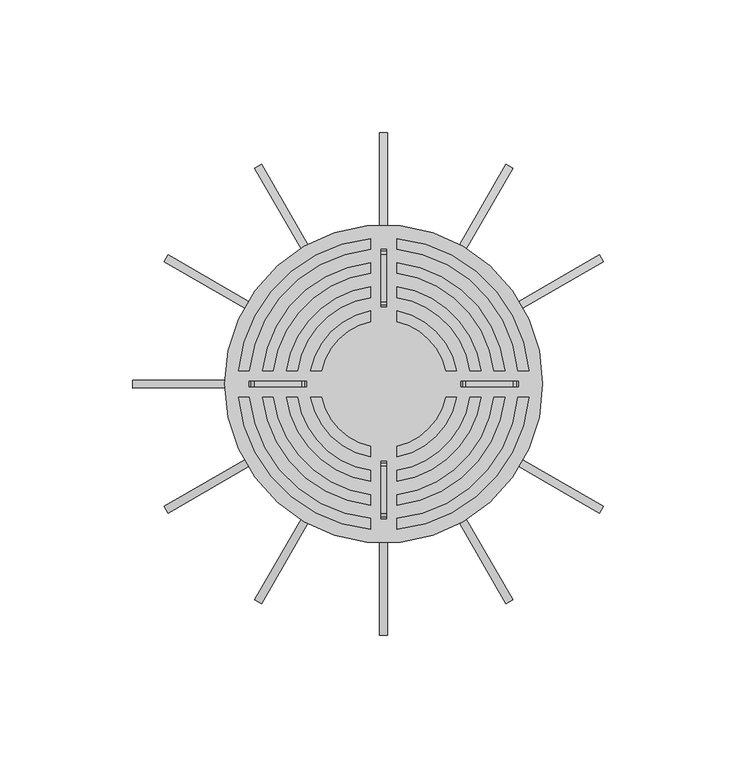
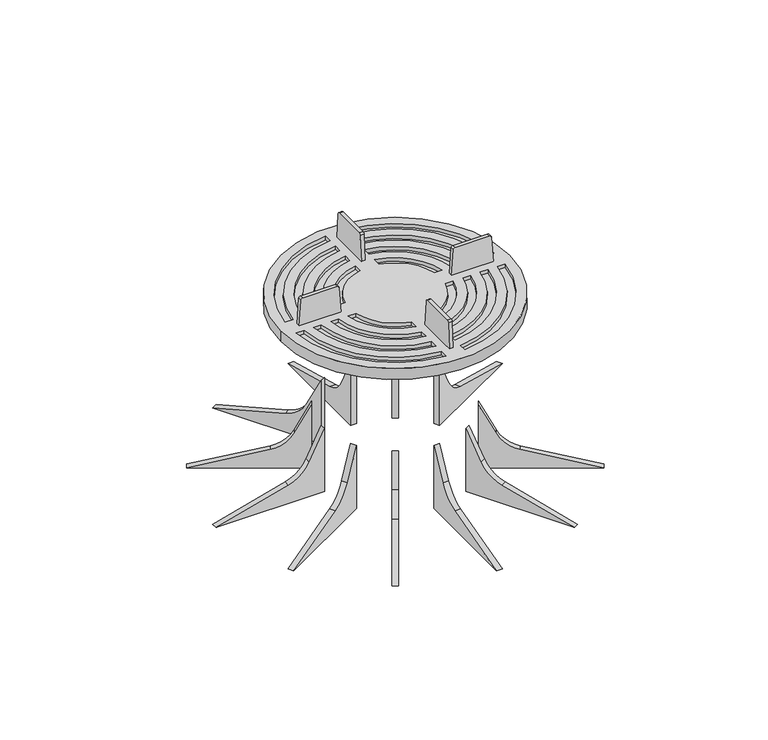
"""IFC4 building model written with IfcOpenShell, lengths in millimetres: proxy geometry."""

from ifc_helpers import new_model, si_unit, point, frame, frame_2d, origin, place, context, project, spatial, polyline, circle_curve, trimmed, segment, composite_curve, outline, extrude, source, transform, mapped, element, save
from ifc_brep_helpers import plane_surface, cylinder_surface, revolved_surface, advanced_brep


def generic_models_ea9ffc6b(model_context):
    return source(origin(), model_context, "Body", "SolidModel", [
        advanced_brep(
        [(-60.0, 0.0, 106.0), (60.0, 0.0, 106.0), (-50.7543102, 5.0, 106.0), (-54.7722558, 5.0, 106.0), (-5.0, 54.7722558, 106.0), (-5.0, 50.7543102, 106.0), (-41.7013189, 5.0, 106.0), (-45.7274535, 5.0, 106.0), (-5.0, 45.7274535, 106.0), (-5.0, 41.7013189, 106.0), (-32.6190129, 5.0, 106.0), (-36.6606056, 5.0, 106.0), (-5.0, 36.6606056, 106.0), (-5.0, 32.6190129, 106.0), (-23.4733892, 5.0, 106.0), (-27.5499546, 5.0, 106.0), (-5.0, 27.5499546, 106.0), (-5.0, 23.4733892, 106.0), (-5.0, -50.7543102, 106.0), (-5.0, -54.7722558, 106.0), (-54.7722558, -5.0, 106.0), (-50.7543102, -5.0, 106.0), (-5.0, -41.7013189, 106.0), (-5.0, -45.7274535, 106.0), (-45.7274535, -5.0, 106.0), (-41.7013189, -5.0, 106.0), (-5.0, -32.6190129, 106.0), (-5.0, -36.6606056, 106.0), (-36.6606056, -5.0, 106.0), (-32.6190129, -5.0, 106.0), (-5.0, -23.4733892, 106.0), (-5.0, -27.5499546, 106.0), (-27.5499546, -5.0, 106.0), (-23.4733892, -5.0, 106.0), (50.7543102, -5.0, 106.0), (54.7722558, -5.0, 106.0), (5.0, -54.7722558, 106.0), (5.0, -50.7543102, 106.0), (41.7013189, -5.0, 106.0), (45.7274535, -5.0, 106.0), (5.0, -45.7274535, 106.0), (5.0, -41.7013189, 106.0), (32.6190129, -5.0, 106.0), (36.6606056, -5.0, 106.0), (5.0, -36.6606056, 106.0), (5.0, -32.6190129, 106.0), (23.4733892, -5.0, 106.0), (27.5499546, -5.0, 106.0), (5.0, -27.5499546, 106.0), (5.0, -23.4733892, 106.0), (5.0, 50.7543102, 106.0), (5.0, 54.7722558, 106.0), (54.7722558, 5.0, 106.0), (50.7543102, 5.0, 106.0), (5.0, 41.7013189, 106.0), (5.0, 45.7274535, 106.0), (45.7274535, 5.0, 106.0), (41.7013189, 5.0, 106.0), (5.0, 32.6190129, 106.0), (5.0, 36.6606056, 106.0), (36.6606056, 5.0, 106.0), (32.6190129, 5.0, 106.0), (5.0, 23.4733892, 106.0), (5.0, 27.5499546, 106.0), (27.5499546, 5.0, 106.0), (23.4733892, 5.0, 106.0), (-60.0, 0.0, 100.0), (60.0, 0.0, 100.0), (-54.7722558, 5.0, 104.0), (-50.7543102, 5.0, 104.0), (-5.0, 50.7543102, 104.0), (-5.0, 54.7722558, 104.0), (-45.7274535, 5.0, 104.0), (-41.7013189, 5.0, 104.0), (-5.0, 41.7013189, 104.0), (-5.0, 45.7274535, 104.0), (-36.6606056, 5.0, 104.0), (-32.6190129, 5.0, 104.0), (-5.0, 32.6190129, 104.0), (-5.0, 36.6606056, 104.0), (-27.5499546, 5.0, 104.0), (-23.4733892, 5.0, 104.0), (-5.0, 23.4733892, 104.0), (-5.0, 27.5499546, 104.0), (-5.0, -54.7722558, 104.0), (-5.0, -50.7543102, 104.0), (-50.7543102, -5.0, 104.0), (-54.7722558, -5.0, 104.0), (-5.0, -45.7274535, 104.0), (-5.0, -41.7013189, 104.0), (-41.7013189, -5.0, 104.0), (-45.7274535, -5.0, 104.0), (-5.0, -36.6606056, 104.0), (-5.0, -32.6190129, 104.0), (-32.6190129, -5.0, 104.0), (-36.6606056, -5.0, 104.0), (-5.0, -27.5499546, 104.0), (-5.0, -23.4733892, 104.0), (-23.4733892, -5.0, 104.0), (-27.5499546, -5.0, 104.0), (54.7722558, -5.0, 104.0), (50.7543102, -5.0, 104.0), (5.0, -50.7543102, 104.0), (5.0, -54.7722558, 104.0), (45.7274535, -5.0, 104.0), (41.7013189, -5.0, 104.0), (5.0, -41.7013189, 104.0), (5.0, -45.7274535, 104.0), (36.6606056, -5.0, 104.0), (32.6190129, -5.0, 104.0), (5.0, -32.6190129, 104.0), (5.0, -36.6606056, 104.0), (27.5499546, -5.0, 104.0), (23.4733892, -5.0, 104.0), (5.0, -23.4733892, 104.0), (5.0, -27.5499546, 104.0), (5.0, 54.7722558, 104.0), (5.0, 50.7543102, 104.0), (50.7543102, 5.0, 104.0), (54.7722558, 5.0, 104.0), (5.0, 45.7274535, 104.0), (5.0, 41.7013189, 104.0), (41.7013189, 5.0, 104.0), (45.7274535, 5.0, 104.0), (5.0, 36.6606056, 104.0), (5.0, 32.6190129, 104.0), (32.6190129, 5.0, 104.0), (36.6606056, 5.0, 104.0), (5.0, 27.5499546, 104.0), (5.0, 23.4733892, 104.0), (23.4733892, 5.0, 104.0), (27.5499546, 5.0, 104.0)],
        [
            (0, 1, circle_curve(frame((0.0, 0.0, 106.0), z_axis=(0.0, 0.0, 1.0), x_axis=(1.0, 0.0, 0.0)), 60.0)),
            (1, 0, circle_curve(frame((0.0, 0.0, 106.0), z_axis=(0.0, 0.0, 1.0), x_axis=(1.0, 0.0, 0.0)), 60.0)),
            (2, 3),
            (3, 4, circle_curve(frame((0.0, 0.0, 106.0), z_axis=(0.0, 0.0, -1.0), x_axis=(1.0, 0.0, 0.0)), 55.0)),
            (4, 5),
            (5, 2, circle_curve(frame((0.0, 0.0, 106.0), z_axis=(0.0, 0.0, 1.0), x_axis=(1.0, 0.0, 0.0)), 51.0)),
            (6, 7),
            (7, 8, circle_curve(frame((0.0, 0.0, 106.0), z_axis=(0.0, 0.0, -1.0), x_axis=(1.0, 0.0, 0.0)), 46.0)),
            (8, 9),
            (9, 6, circle_curve(frame((0.0, 0.0, 106.0), z_axis=(0.0, 0.0, 1.0), x_axis=(1.0, 0.0, 0.0)), 42.0)),
            (10, 11),
            (11, 12, circle_curve(frame((0.0, 0.0, 106.0), z_axis=(0.0, 0.0, -1.0), x_axis=(1.0, 0.0, 0.0)), 37.0)),
            (12, 13),
            (13, 10, circle_curve(frame((0.0, 0.0, 106.0), z_axis=(0.0, 0.0, 1.0), x_axis=(1.0, 0.0, 0.0)), 33.0)),
            (14, 15),
            (15, 16, circle_curve(frame((0.0, 0.0, 106.0), z_axis=(0.0, 0.0, -1.0), x_axis=(1.0, 0.0, 0.0)), 28.0)),
            (16, 17),
            (17, 14, circle_curve(frame((0.0, 0.0, 106.0), z_axis=(0.0, 0.0, 1.0), x_axis=(1.0, 0.0, 0.0)), 24.0)),
            (18, 19),
            (19, 20, circle_curve(frame((0.0, 0.0, 106.0), z_axis=(0.0, 0.0, -1.0), x_axis=(1.2237433288930786e-12, 1.0, 0.0)), 55.0)),
            (20, 21),
            (21, 18, circle_curve(frame((0.0, 0.0, 106.0), z_axis=(0.0, 0.0, 1.0), x_axis=(1.2237433288930786e-12, 1.0, 0.0)), 51.0)),
            (22, 23),
            (23, 24, circle_curve(frame((0.0, 0.0, 106.0), z_axis=(0.0, 0.0, -1.0), x_axis=(1.2237433288930786e-12, 1.0, 0.0)), 46.0)),
            (24, 25),
            (25, 22, circle_curve(frame((0.0, 0.0, 106.0), z_axis=(0.0, 0.0, 1.0), x_axis=(1.2237433288930786e-12, 1.0, 0.0)), 42.0)),
            (26, 27),
            (27, 28, circle_curve(frame((0.0, 0.0, 106.0), z_axis=(0.0, 0.0, -1.0), x_axis=(1.2237433288930786e-12, 1.0, 0.0)), 37.0)),
            (28, 29),
            (29, 26, circle_curve(frame((0.0, 0.0, 106.0), z_axis=(0.0, 0.0, 1.0), x_axis=(1.2237433288930786e-12, 1.0, 0.0)), 33.0)),
            (30, 31),
            (31, 32, circle_curve(frame((0.0, 0.0, 106.0), z_axis=(0.0, 0.0, -1.0), x_axis=(1.2237433288930786e-12, 1.0, 0.0)), 28.0)),
            (32, 33),
            (33, 30, circle_curve(frame((0.0, 0.0, 106.0), z_axis=(0.0, 0.0, 1.0), x_axis=(1.2237433288930786e-12, 1.0, 0.0)), 24.0)),
            (34, 35),
            (35, 36, circle_curve(frame((0.0, 0.0, 106.0), z_axis=(0.0, 0.0, -1.0), x_axis=(-1.0, 0.0, 0.0)), 55.0)),
            (36, 37),
            (37, 34, circle_curve(frame((0.0, 0.0, 106.0), z_axis=(0.0, 0.0, 1.0), x_axis=(-1.0, 0.0, 0.0)), 51.0)),
            (38, 39),
            (39, 40, circle_curve(frame((0.0, 0.0, 106.0), z_axis=(0.0, 0.0, -1.0), x_axis=(-1.0, 0.0, 0.0)), 46.0)),
            (40, 41),
            (41, 38, circle_curve(frame((0.0, 0.0, 106.0), z_axis=(0.0, 0.0, 1.0), x_axis=(-1.0, 0.0, 0.0)), 42.0)),
            (42, 43),
            (43, 44, circle_curve(frame((0.0, 0.0, 106.0), z_axis=(0.0, 0.0, -1.0), x_axis=(-1.0, 0.0, 0.0)), 37.0)),
            (44, 45),
            (45, 42, circle_curve(frame((0.0, 0.0, 106.0), z_axis=(0.0, 0.0, 1.0), x_axis=(-1.0, 0.0, 0.0)), 33.0)),
            (46, 47),
            (47, 48, circle_curve(frame((0.0, 0.0, 106.0), z_axis=(0.0, 0.0, -1.0), x_axis=(-1.0, 0.0, 0.0)), 28.0)),
            (48, 49),
            (49, 46, circle_curve(frame((0.0, 0.0, 106.0), z_axis=(0.0, 0.0, 1.0), x_axis=(-1.0, 0.0, 0.0)), 24.0)),
            (50, 51),
            (51, 52, circle_curve(frame((0.0, 0.0, 106.0), z_axis=(0.0, 0.0, -1.0), x_axis=(0.0, -1.0, 0.0)), 55.0)),
            (52, 53),
            (53, 50, circle_curve(frame((0.0, 0.0, 106.0), z_axis=(0.0, 0.0, 1.0), x_axis=(0.0, -1.0, 0.0)), 51.0)),
            (54, 55),
            (55, 56, circle_curve(frame((0.0, 0.0, 106.0), z_axis=(0.0, 0.0, -1.0), x_axis=(0.0, -1.0, 0.0)), 46.0)),
            (56, 57),
            (57, 54, circle_curve(frame((0.0, 0.0, 106.0), z_axis=(0.0, 0.0, 1.0), x_axis=(0.0, -1.0, 0.0)), 42.0)),
            (58, 59),
            (59, 60, circle_curve(frame((0.0, 0.0, 106.0), z_axis=(0.0, 0.0, -1.0), x_axis=(0.0, -1.0, 0.0)), 37.0)),
            (60, 61),
            (61, 58, circle_curve(frame((0.0, 0.0, 106.0), z_axis=(0.0, 0.0, 1.0), x_axis=(0.0, -1.0, 0.0)), 33.0)),
            (62, 63),
            (63, 64, circle_curve(frame((0.0, 0.0, 106.0), z_axis=(0.0, 0.0, -1.0), x_axis=(0.0, -1.0, 0.0)), 28.0)),
            (64, 65),
            (65, 62, circle_curve(frame((0.0, 0.0, 106.0), z_axis=(0.0, 0.0, 1.0), x_axis=(0.0, -1.0, 0.0)), 24.0)),
            (66, 67, circle_curve(frame((0.0, 0.0, 100.0), z_axis=(0.0, 0.0, -1.0), x_axis=(1.0, 0.0, 0.0)), 60.0)),
            (67, 66, circle_curve(frame((0.0, 0.0, 100.0), z_axis=(0.0, 0.0, -1.0), x_axis=(1.0, 0.0, 0.0)), 60.0)),
            (0, 66),
            (67, 1),
            (68, 69),
            (69, 70, circle_curve(frame((0.0, 0.0, 104.0), z_axis=(0.0, 0.0, -1.0), x_axis=(1.0, 0.0, 0.0)), 51.0)),
            (70, 71),
            (71, 68, circle_curve(frame((0.0, 0.0, 104.0), z_axis=(0.0, 0.0, 1.0), x_axis=(1.0, 0.0, 0.0)), 55.0)),
            (72, 73),
            (73, 74, circle_curve(frame((0.0, 0.0, 104.0), z_axis=(0.0, 0.0, -1.0), x_axis=(1.0, 0.0, 0.0)), 42.0)),
            (74, 75),
            (75, 72, circle_curve(frame((0.0, 0.0, 104.0), z_axis=(0.0, 0.0, 1.0), x_axis=(1.0, 0.0, 0.0)), 46.0)),
            (76, 77),
            (77, 78, circle_curve(frame((0.0, 0.0, 104.0), z_axis=(0.0, 0.0, -1.0), x_axis=(1.0, 0.0, 0.0)), 33.0)),
            (78, 79),
            (79, 76, circle_curve(frame((0.0, 0.0, 104.0), z_axis=(0.0, 0.0, 1.0), x_axis=(1.0, 0.0, 0.0)), 37.0)),
            (80, 81),
            (81, 82, circle_curve(frame((0.0, 0.0, 104.0), z_axis=(0.0, 0.0, -1.0), x_axis=(1.0, 0.0, 0.0)), 24.0)),
            (82, 83),
            (83, 80, circle_curve(frame((0.0, 0.0, 104.0), z_axis=(0.0, 0.0, 1.0), x_axis=(1.0, 0.0, 0.0)), 28.0)),
            (68, 3),
            (2, 69),
            (5, 70),
            (4, 71),
            (72, 7),
            (6, 73),
            (9, 74),
            (8, 75),
            (76, 11),
            (10, 77),
            (13, 78),
            (12, 79),
            (80, 15),
            (14, 81),
            (17, 82),
            (16, 83),
            (84, 85),
            (85, 86, circle_curve(frame((0.0, 0.0, 104.0), z_axis=(0.0, 0.0, -1.0), x_axis=(1.2237433288930786e-12, 1.0, 0.0)), 51.0)),
            (86, 87),
            (87, 84, circle_curve(frame((0.0, 0.0, 104.0), z_axis=(0.0, 0.0, 1.0), x_axis=(1.2237433288930786e-12, 1.0, 0.0)), 55.0)),
            (88, 89),
            (89, 90, circle_curve(frame((0.0, 0.0, 104.0), z_axis=(0.0, 0.0, -1.0), x_axis=(1.2237433288930786e-12, 1.0, 0.0)), 42.0)),
            (90, 91),
            (91, 88, circle_curve(frame((0.0, 0.0, 104.0), z_axis=(0.0, 0.0, 1.0), x_axis=(1.2237433288930786e-12, 1.0, 0.0)), 46.0)),
            (92, 93),
            (93, 94, circle_curve(frame((0.0, 0.0, 104.0), z_axis=(0.0, 0.0, -1.0), x_axis=(1.2237433288930786e-12, 1.0, 0.0)), 33.0)),
            (94, 95),
            (95, 92, circle_curve(frame((0.0, 0.0, 104.0), z_axis=(0.0, 0.0, 1.0), x_axis=(1.2237433288930786e-12, 1.0, 0.0)), 37.0)),
            (96, 97),
            (97, 98, circle_curve(frame((0.0, 0.0, 104.0), z_axis=(0.0, 0.0, -1.0), x_axis=(1.2237433288930786e-12, 1.0, 0.0)), 24.0)),
            (98, 99),
            (99, 96, circle_curve(frame((0.0, 0.0, 104.0), z_axis=(0.0, 0.0, 1.0), x_axis=(1.2237433288930786e-12, 1.0, 0.0)), 28.0)),
            (84, 19),
            (18, 85),
            (21, 86),
            (20, 87),
            (88, 23),
            (22, 89),
            (25, 90),
            (24, 91),
            (92, 27),
            (26, 93),
            (29, 94),
            (28, 95),
            (96, 31),
            (30, 97),
            (33, 98),
            (32, 99),
            (100, 101),
            (101, 102, circle_curve(frame((0.0, 0.0, 104.0), z_axis=(0.0, 0.0, -1.0), x_axis=(-1.0, 0.0, 0.0)), 51.0)),
            (102, 103),
            (103, 100, circle_curve(frame((0.0, 0.0, 104.0), z_axis=(0.0, 0.0, 1.0), x_axis=(-1.0, 0.0, 0.0)), 55.0)),
            (104, 105),
            (105, 106, circle_curve(frame((0.0, 0.0, 104.0), z_axis=(0.0, 0.0, -1.0), x_axis=(-1.0, 0.0, 0.0)), 42.0)),
            (106, 107),
            (107, 104, circle_curve(frame((0.0, 0.0, 104.0), z_axis=(0.0, 0.0, 1.0), x_axis=(-1.0, 0.0, 0.0)), 46.0)),
            (108, 109),
            (109, 110, circle_curve(frame((0.0, 0.0, 104.0), z_axis=(0.0, 0.0, -1.0), x_axis=(-1.0, 0.0, 0.0)), 33.0)),
            (110, 111),
            (111, 108, circle_curve(frame((0.0, 0.0, 104.0), z_axis=(0.0, 0.0, 1.0), x_axis=(-1.0, 0.0, 0.0)), 37.0)),
            (112, 113),
            (113, 114, circle_curve(frame((0.0, 0.0, 104.0), z_axis=(0.0, 0.0, -1.0), x_axis=(-1.0, 0.0, 0.0)), 24.0)),
            (114, 115),
            (115, 112, circle_curve(frame((0.0, 0.0, 104.0), z_axis=(0.0, 0.0, 1.0), x_axis=(-1.0, 0.0, 0.0)), 28.0)),
            (100, 35),
            (34, 101),
            (37, 102),
            (36, 103),
            (104, 39),
            (38, 105),
            (41, 106),
            (40, 107),
            (108, 43),
            (42, 109),
            (45, 110),
            (44, 111),
            (112, 47),
            (46, 113),
            (49, 114),
            (48, 115),
            (116, 117),
            (117, 118, circle_curve(frame((0.0, 0.0, 104.0), z_axis=(0.0, 0.0, -1.0), x_axis=(0.0, -1.0, 0.0)), 51.0)),
            (118, 119),
            (119, 116, circle_curve(frame((0.0, 0.0, 104.0), z_axis=(0.0, 0.0, 1.0), x_axis=(0.0, -1.0, 0.0)), 55.0)),
            (120, 121),
            (121, 122, circle_curve(frame((0.0, 0.0, 104.0), z_axis=(0.0, 0.0, -1.0), x_axis=(0.0, -1.0, 0.0)), 42.0)),
            (122, 123),
            (123, 120, circle_curve(frame((0.0, 0.0, 104.0), z_axis=(0.0, 0.0, 1.0), x_axis=(0.0, -1.0, 0.0)), 46.0)),
            (124, 125),
            (125, 126, circle_curve(frame((0.0, 0.0, 104.0), z_axis=(0.0, 0.0, -1.0), x_axis=(0.0, -1.0, 0.0)), 33.0)),
            (126, 127),
            (127, 124, circle_curve(frame((0.0, 0.0, 104.0), z_axis=(0.0, 0.0, 1.0), x_axis=(0.0, -1.0, 0.0)), 37.0)),
            (128, 129),
            (129, 130, circle_curve(frame((0.0, 0.0, 104.0), z_axis=(0.0, 0.0, -1.0), x_axis=(0.0, -1.0, 0.0)), 24.0)),
            (130, 131),
            (131, 128, circle_curve(frame((0.0, 0.0, 104.0), z_axis=(0.0, 0.0, 1.0), x_axis=(0.0, -1.0, 0.0)), 28.0)),
            (116, 51),
            (50, 117),
            (53, 118),
            (52, 119),
            (120, 55),
            (54, 121),
            (57, 122),
            (56, 123),
            (124, 59),
            (58, 125),
            (61, 126),
            (60, 127),
            (128, 63),
            (62, 129),
            (65, 130),
            (64, 131),
        ],
        [
            plane_surface(frame((60.0, 0.0, 106.0), z_axis=(0.0, 0.0, 1.0), x_axis=(0.0, 1.0, 0.0))),
            plane_surface(frame((60.0, 0.0, 100.0), z_axis=(0.0, 0.0, -1.0), x_axis=(0.0, -1.0, 0.0))),
            cylinder_surface(frame((0.0, 0.0, 100.0), z_axis=(0.0, 0.0, 1.0), x_axis=(1.0, 0.0, 0.0)), 60.0),
            plane_surface(frame((-54.7722558, 5.0, 104.0), z_axis=(0.0, 0.0, 1.0), x_axis=(-1.0, 0.0, 0.0))),
            plane_surface(frame((-54.7722558, 5.0, 106.0), z_axis=(0.0, 1.0, 0.0), x_axis=(0.0, 0.0, -1.0))),
            cylinder_surface(frame((0.0, 0.0, 104.0), z_axis=(0.0, 0.0, -1.0), x_axis=(1.0, 0.0, 0.0)), 51.0),
            plane_surface(frame((-5.0, 50.7543102, 106.0), z_axis=(-1.0, 0.0, 0.0), x_axis=(0.0, 0.0, -1.0))),
            revolved_surface(polyline([(55.0, 0.0, 106.0), (55.0, 0.0, 104.0)]), (0.0, 0.0, 104.0), (0.0, 0.0, 1.0)),
            plane_surface(frame((-45.7274535, 5.0, 106.0), z_axis=(0.0, 1.0, 0.0), x_axis=(0.0, 0.0, -1.0))),
            cylinder_surface(frame((0.0, 0.0, 104.0), z_axis=(0.0, 0.0, -1.0), x_axis=(1.0, 0.0, 0.0)), 42.0),
            plane_surface(frame((-5.0, 41.7013189, 106.0), z_axis=(-1.0, 0.0, 0.0), x_axis=(0.0, 0.0, -1.0))),
            revolved_surface(polyline([(46.0, 0.0, 106.0), (46.0, 0.0, 104.0)]), (0.0, 0.0, 104.0), (0.0, 0.0, 1.0)),
            plane_surface(frame((-36.6606056, 5.0, 106.0), z_axis=(0.0, 1.0, 0.0), x_axis=(0.0, 0.0, -1.0))),
            cylinder_surface(frame((0.0, 0.0, 104.0), z_axis=(0.0, 0.0, -1.0), x_axis=(1.0, 0.0, 0.0)), 33.0),
            plane_surface(frame((-5.0, 32.6190129, 106.0), z_axis=(-1.0, 0.0, 0.0), x_axis=(0.0, 0.0, -1.0))),
            revolved_surface(polyline([(37.0, 0.0, 106.0), (37.0, 0.0, 104.0)]), (0.0, 0.0, 104.0), (0.0, 0.0, 1.0)),
            plane_surface(frame((-27.5499546, 5.0, 106.0), z_axis=(0.0, 1.0, 0.0), x_axis=(0.0, 0.0, -1.0))),
            cylinder_surface(frame((0.0, 0.0, 104.0), z_axis=(0.0, 0.0, -1.0), x_axis=(1.0, 0.0, 0.0)), 24.0),
            plane_surface(frame((-5.0, 23.4733892, 106.0), z_axis=(-1.0, 0.0, 0.0), x_axis=(0.0, 0.0, -1.0))),
            revolved_surface(polyline([(28.0, 0.0, 106.0), (28.0, 0.0, 104.0)]), (0.0, 0.0, 104.0), (0.0, 0.0, 1.0)),
            plane_surface(frame((-5.0, -54.7722558, 104.0), z_axis=(0.0, 0.0, 1.0), x_axis=(-1.2267336146917393e-12, -1.0, 0.0))),
            plane_surface(frame((-5.0, -54.7722558, 106.0), z_axis=(-1.0, 1.2267336146917393e-12, 0.0), x_axis=(0.0, 0.0, -1.0))),
            cylinder_surface(frame((0.0, 0.0, 104.0), z_axis=(0.0, 0.0, -1.0), x_axis=(1.2237433288930786e-12, 1.0, 0.0)), 51.0),
            plane_surface(frame((-50.7543102, -5.0, 106.0), z_axis=(-1.3062173202563936e-12, -1.0, 0.0), x_axis=(0.0, 0.0, -1.0))),
            revolved_surface(polyline([(6.730588308911932e-11, 55.0, 106.0), (6.730588308911932e-11, 55.0, 104.0)]), (0.0, 0.0, 104.0), (0.0, 0.0, 1.0)),
            plane_surface(frame((-5.0, -45.7274535, 106.0), z_axis=(-1.0, 1.2266024042503135e-12, 0.0), x_axis=(0.0, 0.0, -1.0))),
            cylinder_surface(frame((0.0, 0.0, 104.0), z_axis=(0.0, 0.0, -1.0), x_axis=(1.2237433288930786e-12, 1.0, 0.0)), 42.0),
            plane_surface(frame((-41.7013189, -5.0, 106.0), z_axis=(-1.2906904099541734e-12, -1.0, 0.0), x_axis=(0.0, 0.0, -1.0))),
            revolved_surface(polyline([(5.629219312908162e-11, 46.0, 106.0), (5.629219312908162e-11, 46.0, 104.0)]), (0.0, 0.0, 104.0), (0.0, 0.0, 1.0)),
            plane_surface(frame((-5.0, -36.6606056, 106.0), z_axis=(-1.0, 1.228975513630948e-12, 0.0), x_axis=(0.0, 0.0, -1.0))),
            cylinder_surface(frame((0.0, 0.0, 104.0), z_axis=(0.0, 0.0, -1.0), x_axis=(1.2237433288930786e-12, 1.0, 0.0)), 33.0),
            plane_surface(frame((-32.6190129, -5.0, 106.0), z_axis=(-1.2779042811525442e-12, -1.0, 0.0), x_axis=(0.0, 0.0, -1.0))),
            revolved_surface(polyline([(4.527850316904391e-11, 37.0, 106.0), (4.527850316904391e-11, 37.0, 104.0)]), (0.0, 0.0, 104.0), (0.0, 0.0, 1.0)),
            plane_surface(frame((-5.0, -27.5499546, 106.0), z_axis=(-1.0, 1.225695548290163e-12, 0.0), x_axis=(0.0, 0.0, -1.0))),
            cylinder_surface(frame((0.0, 0.0, 104.0), z_axis=(0.0, 0.0, -1.0), x_axis=(1.2237433288930786e-12, 1.0, 0.0)), 24.0),
            plane_surface(frame((-23.4733892, -5.0, 106.0), z_axis=(-1.2612342340289388e-12, -1.0, 0.0), x_axis=(0.0, 0.0, -1.0))),
            revolved_surface(polyline([(3.42648132090062e-11, 28.0, 106.0), (3.42648132090062e-11, 28.0, 104.0)]), (0.0, 0.0, 104.0), (0.0, 0.0, 1.0)),
            plane_surface(frame((54.7722558, -5.0, 104.0), z_axis=(0.0, 0.0, 1.0), x_axis=(1.0, 0.0, 0.0))),
            plane_surface(frame((54.7722558, -5.0, 106.0), z_axis=(0.0, -1.0, 0.0), x_axis=(0.0, 0.0, -1.0))),
            cylinder_surface(frame((0.0, 0.0, 104.0), z_axis=(0.0, 0.0, -1.0), x_axis=(-1.0, 0.0, 0.0)), 51.0),
            plane_surface(frame((5.0, -50.7543102, 106.0), z_axis=(1.0, 0.0, 0.0), x_axis=(0.0, 0.0, -1.0))),
            revolved_surface(polyline([(-55.0, 0.0, 106.0), (-55.0, 0.0, 104.0)]), (0.0, 0.0, 104.0), (0.0, 0.0, 1.0)),
            plane_surface(frame((45.7274535, -5.0, 106.0), z_axis=(0.0, -1.0, 0.0), x_axis=(0.0, 0.0, -1.0))),
            cylinder_surface(frame((0.0, 0.0, 104.0), z_axis=(0.0, 0.0, -1.0), x_axis=(-1.0, 0.0, 0.0)), 42.0),
            plane_surface(frame((5.0, -41.7013189, 106.0), z_axis=(1.0, 0.0, 0.0), x_axis=(0.0, 0.0, -1.0))),
            revolved_surface(polyline([(-46.0, 0.0, 106.0), (-46.0, 0.0, 104.0)]), (0.0, 0.0, 104.0), (0.0, 0.0, 1.0)),
            plane_surface(frame((36.6606056, -5.0, 106.0), z_axis=(0.0, -1.0, 0.0), x_axis=(0.0, 0.0, -1.0))),
            cylinder_surface(frame((0.0, 0.0, 104.0), z_axis=(0.0, 0.0, -1.0), x_axis=(-1.0, 0.0, 0.0)), 33.0),
            plane_surface(frame((5.0, -32.6190129, 106.0), z_axis=(1.0, 0.0, 0.0), x_axis=(0.0, 0.0, -1.0))),
            revolved_surface(polyline([(-37.0, 0.0, 106.0), (-37.0, 0.0, 104.0)]), (0.0, 0.0, 104.0), (0.0, 0.0, 1.0)),
            plane_surface(frame((27.5499546, -5.0, 106.0), z_axis=(0.0, -1.0, 0.0), x_axis=(0.0, 0.0, -1.0))),
            cylinder_surface(frame((0.0, 0.0, 104.0), z_axis=(0.0, 0.0, -1.0), x_axis=(-1.0, 0.0, 0.0)), 24.0),
            plane_surface(frame((5.0, -23.4733892, 106.0), z_axis=(1.0, 0.0, 0.0), x_axis=(0.0, 0.0, -1.0))),
            revolved_surface(polyline([(-28.0, 0.0, 106.0), (-28.0, 0.0, 104.0)]), (0.0, 0.0, 104.0), (0.0, 0.0, 1.0)),
            plane_surface(frame((5.0, 54.7722558, 104.0), z_axis=(0.0, 0.0, 1.0), x_axis=(0.0, 1.0, 0.0))),
            plane_surface(frame((5.0, 54.7722558, 106.0), z_axis=(1.0, 0.0, 0.0), x_axis=(0.0, 0.0, -1.0))),
            cylinder_surface(frame((0.0, 0.0, 104.0), z_axis=(0.0, 0.0, -1.0), x_axis=(0.0, -1.0, 0.0)), 51.0),
            plane_surface(frame((50.7543102, 5.0, 106.0), z_axis=(0.0, 1.0, 0.0), x_axis=(0.0, 0.0, -1.0))),
            revolved_surface(polyline([(0.0, -55.0, 106.0), (0.0, -55.0, 104.0)]), (0.0, 0.0, 104.0), (0.0, 0.0, 1.0)),
            plane_surface(frame((5.0, 45.7274535, 106.0), z_axis=(1.0, 0.0, 0.0), x_axis=(0.0, 0.0, -1.0))),
            cylinder_surface(frame((0.0, 0.0, 104.0), z_axis=(0.0, 0.0, -1.0), x_axis=(0.0, -1.0, 0.0)), 42.0),
            plane_surface(frame((41.7013189, 5.0, 106.0), z_axis=(0.0, 1.0, 0.0), x_axis=(0.0, 0.0, -1.0))),
            revolved_surface(polyline([(0.0, -46.0, 106.0), (0.0, -46.0, 104.0)]), (0.0, 0.0, 104.0), (0.0, 0.0, 1.0)),
            plane_surface(frame((5.0, 36.6606056, 106.0), z_axis=(1.0, 0.0, 0.0), x_axis=(0.0, 0.0, -1.0))),
            cylinder_surface(frame((0.0, 0.0, 104.0), z_axis=(0.0, 0.0, -1.0), x_axis=(0.0, -1.0, 0.0)), 33.0),
            plane_surface(frame((32.6190129, 5.0, 106.0), z_axis=(0.0, 1.0, 0.0), x_axis=(0.0, 0.0, -1.0))),
            revolved_surface(polyline([(0.0, -37.0, 106.0), (0.0, -37.0, 104.0)]), (0.0, 0.0, 104.0), (0.0, 0.0, 1.0)),
            plane_surface(frame((5.0, 27.5499546, 106.0), z_axis=(1.0, 0.0, 0.0), x_axis=(0.0, 0.0, -1.0))),
            cylinder_surface(frame((0.0, 0.0, 104.0), z_axis=(0.0, 0.0, -1.0), x_axis=(0.0, -1.0, 0.0)), 24.0),
            plane_surface(frame((23.4733892, 5.0, 106.0), z_axis=(0.0, 1.0, 0.0), x_axis=(0.0, 0.0, -1.0))),
            revolved_surface(polyline([(0.0, -28.0, 106.0), (0.0, -28.0, 104.0)]), (0.0, 0.0, 104.0), (0.0, 0.0, 1.0)),
        ],
        [
            (0, [[1, 2], [3, 4, 5, 6], [7, 8, 9, 10], [11, 12, 13, 14], [15, 16, 17, 18], [19, 20, 21, 22], [23, 24, 25, 26], [27, 28, 29, 30], [31, 32, 33, 34], [35, 36, 37, 38], [39, 40, 41, 42], [43, 44, 45, 46], [47, 48, 49, 50], [51, 52, 53, 54], [55, 56, 57, 58], [59, 60, 61, 62], [63, 64, 65, 66]]),
            (1, [[67, 68]]),
            (2, [[-1, 69, -68, 70]]),
            (2, [[-2, -70, -67, -69]]),
            (3, [[71, 72, 73, 74]]),
            (3, [[75, 76, 77, 78]]),
            (3, [[79, 80, 81, 82]]),
            (3, [[83, 84, 85, 86]]),
            (4, [[-71, 87, -3, 88]]),
            (5, [[-72, -88, -6, 89]]),
            (6, [[-73, -89, -5, 90]]),
            (7, [[-74, -90, -4, -87]]),
            (8, [[-75, 91, -7, 92]]),
            (9, [[-76, -92, -10, 93]]),
            (10, [[-77, -93, -9, 94]]),
            (11, [[-78, -94, -8, -91]]),
            (12, [[-79, 95, -11, 96]]),
            (13, [[-80, -96, -14, 97]]),
            (14, [[-81, -97, -13, 98]]),
            (15, [[-82, -98, -12, -95]]),
            (16, [[-83, 99, -15, 100]]),
            (17, [[-84, -100, -18, 101]]),
            (18, [[-85, -101, -17, 102]]),
            (19, [[-86, -102, -16, -99]]),
            (20, [[103, 104, 105, 106]]),
            (20, [[107, 108, 109, 110]]),
            (20, [[111, 112, 113, 114]]),
            (20, [[115, 116, 117, 118]]),
            (21, [[-103, 119, -19, 120]]),
            (22, [[-104, -120, -22, 121]]),
            (23, [[-105, -121, -21, 122]]),
            (24, [[-106, -122, -20, -119]]),
            (25, [[-107, 123, -23, 124]]),
            (26, [[-108, -124, -26, 125]]),
            (27, [[-109, -125, -25, 126]]),
            (28, [[-110, -126, -24, -123]]),
            (29, [[-111, 127, -27, 128]]),
            (30, [[-112, -128, -30, 129]]),
            (31, [[-113, -129, -29, 130]]),
            (32, [[-114, -130, -28, -127]]),
            (33, [[-115, 131, -31, 132]]),
            (34, [[-116, -132, -34, 133]]),
            (35, [[-117, -133, -33, 134]]),
            (36, [[-118, -134, -32, -131]]),
            (37, [[135, 136, 137, 138]]),
            (37, [[139, 140, 141, 142]]),
            (37, [[143, 144, 145, 146]]),
            (37, [[147, 148, 149, 150]]),
            (38, [[-135, 151, -35, 152]]),
            (39, [[-136, -152, -38, 153]]),
            (40, [[-137, -153, -37, 154]]),
            (41, [[-138, -154, -36, -151]]),
            (42, [[-139, 155, -39, 156]]),
            (43, [[-140, -156, -42, 157]]),
            (44, [[-141, -157, -41, 158]]),
            (45, [[-142, -158, -40, -155]]),
            (46, [[-143, 159, -43, 160]]),
            (47, [[-144, -160, -46, 161]]),
            (48, [[-145, -161, -45, 162]]),
            (49, [[-146, -162, -44, -159]]),
            (50, [[-147, 163, -47, 164]]),
            (51, [[-148, -164, -50, 165]]),
            (52, [[-149, -165, -49, 166]]),
            (53, [[-150, -166, -48, -163]]),
            (54, [[167, 168, 169, 170]]),
            (54, [[171, 172, 173, 174]]),
            (54, [[175, 176, 177, 178]]),
            (54, [[179, 180, 181, 182]]),
            (55, [[-167, 183, -51, 184]]),
            (56, [[-168, -184, -54, 185]]),
            (57, [[-169, -185, -53, 186]]),
            (58, [[-170, -186, -52, -183]]),
            (59, [[-171, 187, -55, 188]]),
            (60, [[-172, -188, -58, 189]]),
            (61, [[-173, -189, -57, 190]]),
            (62, [[-174, -190, -56, -187]]),
            (63, [[-175, 191, -59, 192]]),
            (64, [[-176, -192, -62, 193]]),
            (65, [[-177, -193, -61, 194]]),
            (66, [[-178, -194, -60, -191]]),
            (67, [[-179, 195, -63, 196]]),
            (68, [[-180, -196, -66, 197]]),
            (69, [[-181, -197, -65, 198]]),
            (70, [[-182, -198, -64, -195]]),
        ],
    ),
        extrude(outline(composite_curve([segment(polyline([(-35.0, 0.0), (0.0, 0.0), (0.0, -56.9756523), (-10.1606645, -19.0555364)]), True, "CONTINUOUS"), segment(trimmed(circle_curve(frame_2d((-26.9196657, -23.5460972)), 17.3501948), [point((-10.1606645, -19.0555364))], [point((-19.0764802, -8.0698671))], True, "CARTESIAN"), True, "CONTINUOUS"), segment(polyline([(-19.0764802, -8.0698671), (-35.0, 0.0)]), True, "CONTINUOUS")], self_intersect=False)), frame((32.0723628, -20.2490381, 10.0), z_axis=(0.5000000000000167, 0.866025403784429, 0.0), x_axis=(0.0, 0.0, -1.0)), (0.0, 0.0, 1.0), 3.0),
        extrude(outline(composite_curve([segment(polyline([(-35.0, 0.0), (0.0, 0.0), (0.0, -56.9756523), (-10.1606645, -19.0555364)]), True, "CONTINUOUS"), segment(trimmed(circle_curve(frame_2d((-26.9196657, -23.5460972)), 17.3501948), [point((-10.1606645, -19.0555364))], [point((-19.0764802, -8.0698671))], True, "CARTESIAN"), True, "CONTINUOUS"), segment(polyline([(-19.0764802, -8.0698671), (-35.0, 0.0)]), True, "CONTINUOUS")], self_intersect=False)), frame((17.6509619, -33.5723628, 10.0), z_axis=(0.8660254037844479, 0.499999999999984, 0.0), x_axis=(0.0, 0.0, -1.0)), (0.0, 0.0, 1.0), 3.0),
        extrude(outline(composite_curve([segment(polyline([(-37.9, 45.0), (-37.9, 10.0), (-94.8756523, 10.0), (-56.9555363, 20.1606645)]), True, "CONTINUOUS"), segment(trimmed(circle_curve(frame_2d((-61.4460972, 36.9196657)), 17.3501948), [point((-56.9555363, 20.1606645))], [point((-45.969867, 29.0764802))], True, "CARTESIAN"), True, "CONTINUOUS"), segment(polyline([(-45.969867, 29.0764802), (-37.9, 45.0)]), True, "CONTINUOUS")], self_intersect=False)), frame((-1.5, 0.0, 0.0), z_axis=(1.0, 0.0, 0.0), x_axis=(0.0, 1.0, 0.0)), (0.0, 0.0, 1.0), 3.0),
        extrude(outline(composite_curve([segment(polyline([(35.0, 0.0), (19.0764802, -8.0698671)]), True, "CONTINUOUS"), segment(trimmed(circle_curve(frame_2d((26.9196657, -23.5460972)), 17.3501948), [point((19.0764802, -8.0698671))], [point((10.1606645, -19.0555364))], True, "CARTESIAN"), True, "CONTINUOUS"), segment(polyline([(10.1606645, -19.0555364), (0.0, -56.9756523), (0.0, 0.0), (35.0, 0.0)]), True, "CONTINUOUS")], self_intersect=False)), frame((-17.6509619, -33.5723628, 10.0), z_axis=(-0.86602540378443, 0.500000000000015, 0.0), x_axis=(0.0, 0.0, 1.0)), (0.0, 0.0, 1.0), 3.0),
        extrude(outline(composite_curve([segment(polyline([(35.0, 0.0), (19.0764802, -8.0698671)]), True, "CONTINUOUS"), segment(trimmed(circle_curve(frame_2d((26.9196657, -23.5460972)), 17.3501948), [point((19.0764802, -8.0698671))], [point((10.1606645, -19.0555364))], True, "CARTESIAN"), True, "CONTINUOUS"), segment(polyline([(10.1606645, -19.0555364), (0.0, -56.9756523), (0.0, 0.0), (35.0, 0.0)]), True, "CONTINUOUS")], self_intersect=False)), frame((-32.0723628, -20.2490381, 10.0), z_axis=(-0.4999999999999848, 0.8660254037844475, 0.0), x_axis=(0.0, 0.0, 1.0)), (0.0, 0.0, 1.0), 3.0),
        extrude(outline(composite_curve([segment(polyline([(45.0, -37.9), (29.0764802, -45.969867)]), True, "CONTINUOUS"), segment(trimmed(circle_curve(frame_2d((36.9196657, -61.4460972)), 17.3501948), [point((29.0764802, -45.969867))], [point((20.1606645, -56.9555363))], True, "CARTESIAN"), True, "CONTINUOUS"), segment(polyline([(20.1606645, -56.9555363), (10.0, -94.8756523), (10.0, -37.9), (45.0, -37.9)]), True, "CONTINUOUS")], self_intersect=False)), frame((0.0, -1.5, 0.0), z_axis=(0.0, 1.0, 0.0), x_axis=(0.0, 0.0, 1.0)), (0.0, 0.0, 1.0), 3.0),
        extrude(outline(composite_curve([segment(polyline([(35.0, 0.0), (19.0764802, -8.0698671)]), True, "CONTINUOUS"), segment(trimmed(circle_curve(frame_2d((26.9196657, -23.5460972)), 17.3501948), [point((19.0764802, -8.0698671))], [point((10.1606645, -19.0555364))], True, "CARTESIAN"), True, "CONTINUOUS"), segment(polyline([(10.1606645, -19.0555364), (0.0, -56.9756523), (0.0, 0.0), (35.0, 0.0)]), True, "CONTINUOUS")], self_intersect=False)), frame((-33.5723628, 17.6509619, 10.0), z_axis=(0.5000000000000028, 0.8660254037844372, 0.0), x_axis=(0.0, 0.0, 1.0)), (0.0, 0.0, 1.0), 3.0),
        extrude(outline(composite_curve([segment(polyline([(35.0, 0.0), (19.0764802, -8.0698671)]), True, "CONTINUOUS"), segment(trimmed(circle_curve(frame_2d((26.9196657, -23.5460972)), 17.3501948), [point((19.0764802, -8.0698671))], [point((10.1606645, -19.0555364))], True, "CARTESIAN"), True, "CONTINUOUS"), segment(polyline([(10.1606645, -19.0555364), (0.0, -56.9756523), (0.0, 0.0), (35.0, 0.0)]), True, "CONTINUOUS")], self_intersect=False)), frame((-20.2490381, 32.0723628, 10.0), z_axis=(0.8660254037844399, 0.4999999999999979, 0.0), x_axis=(0.0, 0.0, 1.0)), (0.0, 0.0, 1.0), 3.0),
        extrude(outline(composite_curve([segment(polyline([(37.9, 45.0), (45.969867, 29.0764802)]), True, "CONTINUOUS"), segment(trimmed(circle_curve(frame_2d((61.4460972, 36.9196657)), 17.3501948), [point((45.969867, 29.0764802))], [point((56.9555363, 20.1606645))], True, "CARTESIAN"), True, "CONTINUOUS"), segment(polyline([(56.9555363, 20.1606645), (94.8756523, 10.0), (37.9, 10.0), (37.9, 45.0)]), True, "CONTINUOUS")], self_intersect=False)), frame((-1.5, 0.0, 0.0), z_axis=(1.0, 0.0, 0.0), x_axis=(0.0, 1.0, 0.0)), (0.0, 0.0, 1.0), 3.0),
        extrude(outline(composite_curve([segment(polyline([(-35.0, 0.0), (0.0, 0.0), (0.0, -56.9756523), (-10.1606645, -19.0555364)]), True, "CONTINUOUS"), segment(trimmed(circle_curve(frame_2d((-26.9196657, -23.5460972)), 17.3501948), [point((-10.1606645, -19.0555364))], [point((-19.0764802, -8.0698671))], True, "CARTESIAN"), True, "CONTINUOUS"), segment(polyline([(-19.0764802, -8.0698671), (-35.0, 0.0)]), True, "CONTINUOUS")], self_intersect=False)), frame((20.2490381, 32.0723628, 10.0), z_axis=(-0.866025403784438, 0.5000000000000011, 0.0), x_axis=(0.0, 0.0, -1.0)), (0.0, 0.0, 1.0), 3.0),
        extrude(outline(composite_curve([segment(polyline([(-35.0, 0.0), (0.0, 0.0), (0.0, -56.9756523), (-10.1606645, -19.0555364)]), True, "CONTINUOUS"), segment(trimmed(circle_curve(frame_2d((-26.9196657, -23.5460972)), 17.3501948), [point((-10.1606645, -19.0555364))], [point((-19.0764802, -8.0698671))], True, "CARTESIAN"), True, "CONTINUOUS"), segment(polyline([(-19.0764802, -8.0698671), (-35.0, 0.0)]), True, "CONTINUOUS")], self_intersect=False)), frame((33.5723628, 17.6509619, 10.0), z_axis=(-0.49999999999999917, 0.8660254037844392, 0.0), x_axis=(0.0, 0.0, -1.0)), (0.0, 0.0, 1.0), 3.0),
        extrude(outline(composite_curve([segment(polyline([(-29.9858803, 120.0987445), (-29.0, 106.0), (-51.0, 106.0), (-50.0179858, 120.0434575)]), True, "CONTINUOUS"), segment(trimmed(circle_curve(frame_2d((-48.9922195, 119.9717289)), 1.0282711), [point((-50.0179858, 120.0434575))], [point((-48.9922195, 121.0))], False, "CARTESIAN"), True, "CONTINUOUS"), segment(polyline([(-48.9922195, 121.0), (-30.9523584, 121.0)]), True, "CONTINUOUS"), segment(trimmed(circle_curve(frame_2d((-30.9523584, 120.0311618)), 0.9688382), [point((-30.9523584, 121.0))], [point((-29.9858803, 120.0987445))], False, "CARTESIAN"), True, "CONTINUOUS")], self_intersect=False)), frame((-1.0, 0.0, 0.0), z_axis=(1.0, 0.0, 0.0), x_axis=(0.0, 1.0, 0.0)), (0.0, 0.0, 1.0), 2.0),
        extrude(outline(composite_curve([segment(polyline([(120.0987445, 29.9858803), (106.0, 29.0), (106.0, 51.0), (120.0434575, 50.0179858)]), True, "CONTINUOUS"), segment(trimmed(circle_curve(frame_2d((119.9717289, 48.9922195)), 1.0282711), [point((120.0434575, 50.0179858))], [point((121.0, 48.9922195))], False, "CARTESIAN"), True, "CONTINUOUS"), segment(polyline([(121.0, 48.9922195), (121.0, 30.9523584)]), True, "CONTINUOUS"), segment(trimmed(circle_curve(frame_2d((120.0311618, 30.9523584)), 0.9688382), [point((121.0, 30.9523584))], [point((120.0987445, 29.9858803))], False, "CARTESIAN"), True, "CONTINUOUS")], self_intersect=False)), frame((0.0, -1.0, 0.0), z_axis=(0.0, 1.0, 0.0), x_axis=(0.0, 0.0, 1.0)), (0.0, 0.0, 1.0), 2.0),
        extrude(outline(composite_curve([segment(trimmed(circle_curve(frame_2d((30.9523584, 120.0311618)), 0.9688382), [point((29.9858803, 120.0987445))], [point((30.9523584, 121.0))], False, "CARTESIAN"), True, "CONTINUOUS"), segment(polyline([(30.9523584, 121.0), (48.9922195, 121.0)]), True, "CONTINUOUS"), segment(trimmed(circle_curve(frame_2d((48.9922195, 119.9717289)), 1.0282711), [point((48.9922195, 121.0))], [point((50.0179858, 120.0434575))], False, "CARTESIAN"), True, "CONTINUOUS"), segment(polyline([(50.0179858, 120.0434575), (51.0, 106.0), (29.0, 106.0), (29.9858803, 120.0987445)]), True, "CONTINUOUS")], self_intersect=False)), frame((-1.0, 0.0, 0.0), z_axis=(1.0, 0.0, 0.0), x_axis=(0.0, 1.0, 0.0)), (0.0, 0.0, 1.0), 2.0),
        extrude(outline(composite_curve([segment(trimmed(circle_curve(frame_2d((120.0311618, -30.9523584)), 0.9688382), [point((120.0987445, -29.9858803))], [point((121.0, -30.9523584))], False, "CARTESIAN"), True, "CONTINUOUS"), segment(polyline([(121.0, -30.9523584), (121.0, -48.9922195)]), True, "CONTINUOUS"), segment(trimmed(circle_curve(frame_2d((119.9717289, -48.9922195)), 1.0282711), [point((121.0, -48.9922195))], [point((120.0434575, -50.0179858))], False, "CARTESIAN"), True, "CONTINUOUS"), segment(polyline([(120.0434575, -50.0179858), (106.0, -51.0), (106.0, -29.0), (120.0987445, -29.9858803)]), True, "CONTINUOUS")], self_intersect=False)), frame((0.0, -1.0, 0.0), z_axis=(0.0, 1.0, 0.0), x_axis=(0.0, 0.0, 1.0)), (0.0, 0.0, 1.0), 2.0),
    ])


if __name__ == "__main__":
    model = new_model("IFC4")
    model_context = context("Model", 3, world=origin())
    ifc_project = project(units=[si_unit("LENGTHUNIT", "METRE", prefix="MILLI")], contexts=[model_context])
    site = spatial("IfcSite", under=ifc_project)
    building = spatial("IfcBuilding", under=site)
    placement = place(None, origin())
    generic_models_shape = generic_models_ea9ffc6b(model_context)
    element("IfcBuildingElementProxy", 1, Name="Generic Models", at=placement, inside=building, context=model_context, shape_type="MappedRepresentation", body=[
        mapped(generic_models_shape, transform((0.0, 0.0, 0.0), x_axis=(1.0, 0.0, 0.0), y_axis=(0.0, 1.0, 0.0), z_axis=(0.0, 0.0, 1.0))),
    ])
    save(model, "model.ifc")
